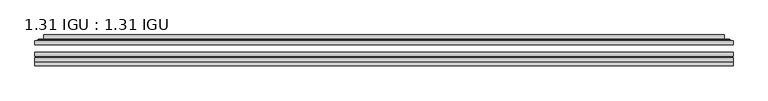
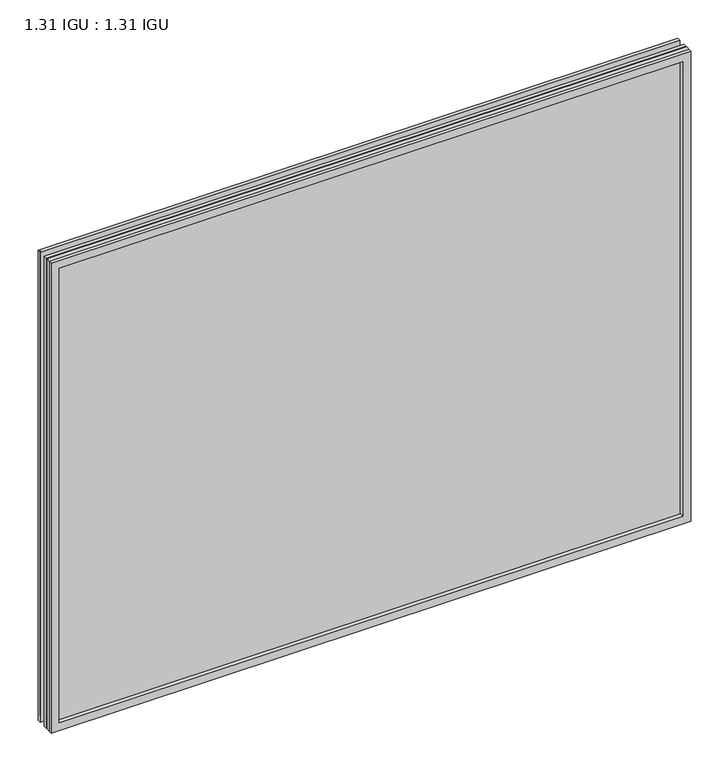
"""IFC4 building model written with IfcOpenShell, lengths in millimetres: plate geometry, 1.31 IGU : 1.31 IGU."""

from ifc_helpers import new_model, si_unit, frame, origin, place, context, project, spatial, polyline, ellipse_curve, outline, extrude, faceted_brep, source, transform, mapped, element, save
from ifc_brep_helpers import plane_surface, cylinder_surface, advanced_brep


def plate_1_31_igu_1_31_igu_eb81db0e(model_context):
    return source(origin(), model_context, "Body", "SolidModel", [
        extrude(outline(polyline([(560.401675, -63.59525), (560.401675, -69.94525), (-560.3875, -69.94525), (-560.3875, -63.59525), (560.401675, -63.59525)])), frame((0.0, 0.0, -14.2875), z_axis=(0.0, 0.0, 1.0), x_axis=(1.0, 0.0, 0.0)), (0.0, 0.0, 1.0), 869.9537979),
        extrude(outline(polyline([(-560.3875, -78.58125), (-560.3875, -72.230745), (560.401675, -72.230745), (560.401675, -78.58125), (-560.3875, -78.58125)])), frame((0.0, 0.0, -14.2875), z_axis=(0.0, 0.0, 1.0), x_axis=(1.0, 0.0, 0.0)), (0.0, 0.0, 1.0), 869.9537979),
        extrude(outline(polyline([(560.401675, -45.25645), (560.401675, -51.60645), (-560.3875, -51.60645), (-560.3875, -45.25645), (560.401675, -45.25645)])), frame((0.0, 0.0, -14.2875), z_axis=(0.0, 0.0, 1.0), x_axis=(1.0, 0.0, 0.0)), (0.0, 0.0, 1.0), 869.9537979),
        faceted_brep([(-560.4002, -84.93125, 855.6752), (-560.4002, -78.58125, 855.6752), (-560.4002, -78.58125, -14.3002), (-560.4002, -84.93125, -14.3002), (560.4002, -78.58125, -14.3002), (560.4002, -84.93125, -14.3002), (560.4002, -78.58125, 855.6752), (560.4002, -84.93125, 855.6752), (-545.2022559, -78.58125, 0.8977441), (545.2022559, -78.58125, 0.8977441), (545.2022559, -78.58125, 840.4772559), (-545.2022559, -78.58125, 840.4772559), (-546.0946902, -84.93125, 841.3696902), (546.0946902, -84.93125, 841.3696902), (546.0946902, -84.93125, 0.0053098), (-546.0946902, -84.93125, 0.0053098)], [[[0, 1, 2, 3]], [[3, 2, 4, 5]], [[5, 4, 6, 7]], [[1, 6, 4, 2], [8, 9, 10, 11]], [[7, 6, 1, 0]], [[3, 5, 7, 0], [12, 13, 14, 15]], [[11, 12, 15, 8]], [[8, 15, 14, 9]], [[9, 14, 13, 10]], [[10, 13, 12, 11]]]),
        advanced_brep(
        [(-553.146219, -45.25645, 848.4212191), (-555.5004244, -43.2667833, 850.7754244), (-555.5004244, -43.2667833, -9.4004244), (-553.146219, -45.25645, -7.046219), (-544.0718939, -41.416413, 839.3468939), (-539.1370621, -45.25645, 834.4120621), (-539.1370621, -45.25645, 6.9629379), (-544.0718939, -41.416413, 2.0281061), (-545.1039217, -36.0191819, 840.3789217), (-545.1039217, -36.0191819, 0.9960783), (-546.0945784, -35.6202069, 841.3695784), (-546.0945784, -35.6202069, 0.0054216), (-546.0945784, -42.08145, 841.3695784), (-546.0945784, -42.08145, 0.0054216), (-554.4986349, -42.08145, 849.7736349), (-554.4986349, -42.08145, -8.3986349), (555.5004244, -43.2667833, -9.4004244), (553.146219, -45.25645, -7.046219), (539.1370621, -45.25645, 6.9629379), (544.0718939, -41.416413, 2.0281061), (545.1039217, -36.0191819, 0.9960783), (546.0945784, -35.6202069, 0.0054216), (546.0945784, -42.08145, 0.0054216), (554.4986349, -42.08145, -8.3986349), (555.5004244, -43.2667833, 850.7754244), (553.146219, -45.25645, 848.4212191), (539.1370621, -45.25645, 834.4120621), (544.0718939, -41.416413, 839.3468939), (545.1039217, -36.0191819, 840.3789217), (546.0945784, -35.6202069, 841.3695784), (546.0945784, -42.08145, 841.3695784), (554.4986349, -42.08145, 849.7736349)],
        [
            (0, 1, ellipse_curve(frame((-553.146219, -42.86885, 848.4212191), z_axis=(-0.7071067811865475, 0.0, -0.7071067811865475), x_axis=(-0.7071067811865474, 0.0, 0.7071067811865476)), 3.3765763, 2.3876)),
            (1, 2),
            (2, 3, ellipse_curve(frame((-553.146219, -42.86885, -7.046219), z_axis=(-0.7071067811865475, 0.0, 0.7071067811865475), x_axis=(0.7071067811865474, 0.0, 0.7071067811865476)), 3.3765763, 2.3876)),
            (3, 0),
            (4, 5),
            (5, 6),
            (6, 7),
            (7, 4),
            (8, 4),
            (7, 9),
            (9, 8),
            (10, 8, ellipse_curve(frame((-545.7276219, -36.1384423, 841.0026219), z_axis=(-0.7071067811865475, 0.0, -0.7071067811865475), x_axis=(-0.7071067811865474, 0.0, 0.7071067811865476)), 0.8980256, 0.635)),
            (9, 11, ellipse_curve(frame((-545.7276219, -36.1384423, 0.3723781), z_axis=(-0.7071067811865475, 0.0, 0.7071067811865475), x_axis=(0.7071067811865474, 0.0, 0.7071067811865476)), 0.8980256, 0.635)),
            (11, 10),
            (12, 10),
            (11, 13),
            (13, 12),
            (1, 14, ellipse_curve(frame((-554.4986349, -43.09745, 849.7736349), z_axis=(-0.7071067811865475, 0.0, -0.7071067811865475), x_axis=(-0.7071067811865474, 0.0, 0.7071067811865476)), 1.436841, 1.016)),
            (14, 15),
            (15, 2, ellipse_curve(frame((-554.4986349, -43.09745, -8.3986349), z_axis=(-0.7071067811865475, 0.0, 0.7071067811865475), x_axis=(0.7071067811865474, 0.0, 0.7071067811865476)), 1.436841, 1.016)),
            (2, 16),
            (16, 17, ellipse_curve(frame((553.146219, -42.86885, -7.046219), z_axis=(-0.7071067811865475, 0.0, -0.7071067811865475), x_axis=(-0.7071067811865476, 0.0, 0.7071067811865474)), 3.3765763, 2.3876)),
            (17, 3),
            (6, 18),
            (18, 19),
            (19, 7),
            (19, 20),
            (20, 9),
            (20, 21, ellipse_curve(frame((545.7276219, -36.1384423, 0.3723781), z_axis=(-0.7071067811865475, 0.0, -0.7071067811865475), x_axis=(-0.7071067811865476, 0.0, 0.7071067811865474)), 0.8980256, 0.635)),
            (21, 11),
            (21, 22),
            (22, 13),
            (15, 23),
            (23, 16, ellipse_curve(frame((554.4986349, -43.09745, -8.3986349), z_axis=(-0.7071067811865475, 0.0, -0.7071067811865475), x_axis=(-0.7071067811865476, 0.0, 0.7071067811865474)), 1.436841, 1.016)),
            (16, 24),
            (24, 25, ellipse_curve(frame((553.146219, -42.86885, 848.4212191), z_axis=(0.7071067811865475, 0.0, -0.7071067811865475), x_axis=(-0.7071067811865474, 0.0, -0.7071067811865476)), 3.3765763, 2.3876)),
            (25, 17),
            (18, 26),
            (26, 27),
            (27, 19),
            (27, 28),
            (28, 20),
            (28, 29, ellipse_curve(frame((545.7276219, -36.1384423, 841.0026219), z_axis=(0.7071067811865475, 0.0, -0.7071067811865475), x_axis=(-0.7071067811865474, 0.0, -0.7071067811865476)), 0.8980256, 0.635)),
            (29, 21),
            (29, 30),
            (30, 22),
            (23, 31),
            (31, 24, ellipse_curve(frame((554.4986349, -43.09745, 849.7736349), z_axis=(0.7071067811865475, 0.0, -0.7071067811865475), x_axis=(-0.7071067811865474, 0.0, -0.7071067811865476)), 1.436841, 1.016)),
            (24, 1),
            (0, 25),
            (5, 26),
            (4, 27),
            (8, 28),
            (10, 29),
            (12, 30),
            (14, 31),
        ],
        [
            cylinder_surface(frame((-553.146219, -42.86885, 873.125), z_axis=(0.0, 0.0, 1.0), x_axis=(-1.0, 0.0, 0.0)), 2.3876),
            plane_surface(frame((-539.1370621, -45.25645, 834.4120621), z_axis=(0.6141233906514794, 0.7892100234124821, 0.0), x_axis=(0.0, 0.0, -1.0))),
            plane_surface(frame((-544.0718939, -41.416413, 839.3468939), z_axis=(0.9822050625507729, 0.18781164793386076, 0.0), x_axis=(0.0, 0.0, -1.0))),
            cylinder_surface(frame((-545.7276219, -36.1384423, 873.125), z_axis=(0.0, 0.0, 1.0), x_axis=(-1.0, 0.0, 0.0)), 0.635),
            plane_surface(frame((-546.0945784, -35.6202069, 841.3695784), z_axis=(-1.0, 0.0, 0.0), x_axis=(0.0, 0.0, -1.0))),
            cylinder_surface(frame((-554.4986349, -43.09745, 873.125), z_axis=(0.0, 0.0, 1.0), x_axis=(-1.0, 0.0, 0.0)), 1.016),
            cylinder_surface(frame((-577.85, -42.86885, -7.046219), z_axis=(-1.0, 0.0, 0.0), x_axis=(0.0, 0.0, -1.0)), 2.3876),
            plane_surface(frame((-539.1370621, -45.25645, 6.9629379), z_axis=(0.0, 0.7892100234124841, 0.6141233906514768), x_axis=(1.0, 0.0, 0.0))),
            plane_surface(frame((-544.0718939, -41.416413, 2.0281061), z_axis=(0.0, 0.18781164793386393, 0.9822050625507723), x_axis=(1.0, 0.0, 0.0))),
            cylinder_surface(frame((-577.85, -36.1384423, 0.3723781), z_axis=(-1.0, 0.0, 0.0), x_axis=(0.0, 0.0, -1.0)), 0.635),
            plane_surface(frame((-546.0945784, -35.6202069, 0.0054216), z_axis=(0.0, 0.0, -1.0), x_axis=(1.0, 0.0, 0.0))),
            cylinder_surface(frame((-577.85, -43.09745, -8.3986349), z_axis=(-1.0, 0.0, 0.0), x_axis=(0.0, 0.0, -1.0)), 1.016),
            cylinder_surface(frame((553.146219, -42.86885, -31.75), z_axis=(0.0, 0.0, -1.0), x_axis=(1.0, 0.0, 0.0)), 2.3876),
            plane_surface(frame((539.1370621, -45.25645, 6.9629379), z_axis=(-0.6141233906514743, 0.7892100234124861, 0.0), x_axis=(0.0, 0.0, 1.0))),
            plane_surface(frame((544.0718939, -41.416413, 2.0281061), z_axis=(-0.9822050625507718, 0.1878116479338671, 0.0), x_axis=(0.0, 0.0, 1.0))),
            cylinder_surface(frame((545.7276219, -36.1384423, -31.75), z_axis=(0.0, 0.0, -1.0), x_axis=(1.0, 0.0, 0.0)), 0.635),
            plane_surface(frame((546.0945784, -35.6202069, 0.0054216), z_axis=(1.0, 0.0, 0.0), x_axis=(0.0, 0.0, 1.0))),
            cylinder_surface(frame((554.4986349, -43.09745, -31.75), z_axis=(0.0, 0.0, -1.0), x_axis=(1.0, 0.0, 0.0)), 1.016),
            cylinder_surface(frame((577.85, -42.86885, 848.4212191), z_axis=(1.0, 0.0, 0.0), x_axis=(0.0, 0.0, 1.0)), 2.3876),
            plane_surface(frame((553.146219, -45.25645, 848.4212191), z_axis=(0.0, -1.0, 0.0), x_axis=(-1.0, 0.0, 0.0))),
            plane_surface(frame((539.1370621, -45.25645, 834.4120621), z_axis=(0.0, 0.7892100234124841, -0.6141233906514768), x_axis=(-1.0, 0.0, 0.0))),
            plane_surface(frame((544.0718939, -41.416413, 839.3468939), z_axis=(0.0, 0.18781164793386393, -0.9822050625507723), x_axis=(-1.0, 0.0, 0.0))),
            cylinder_surface(frame((577.85, -36.1384423, 841.0026219), z_axis=(1.0, 0.0, 0.0), x_axis=(0.0, 0.0, 1.0)), 0.635),
            plane_surface(frame((546.0945784, -35.6202069, 841.3695784), z_axis=(0.0, 0.0, 1.0), x_axis=(-1.0, 0.0, 0.0))),
            plane_surface(frame((546.0945784, -42.08145, 841.3695784), z_axis=(0.0, 1.0, 0.0), x_axis=(-1.0, 0.0, 0.0))),
            cylinder_surface(frame((577.85, -43.09745, 849.7736349), z_axis=(1.0, 0.0, 0.0), x_axis=(0.0, 0.0, 1.0)), 1.016),
        ],
        [
            (0, [[1, 2, 3, 4]]),
            (1, [[5, 6, 7, 8]]),
            (2, [[9, -8, 10, 11]]),
            (3, [[12, -11, 13, 14]]),
            (4, [[15, -14, 16, 17]]),
            (5, [[18, 19, 20, -2]]),
            (6, [[-3, 21, 22, 23]]),
            (7, [[-7, 24, 25, 26]]),
            (8, [[-10, -26, 27, 28]]),
            (9, [[-13, -28, 29, 30]]),
            (10, [[-16, -30, 31, 32]]),
            (11, [[-20, 33, 34, -21]]),
            (12, [[-22, 35, 36, 37]]),
            (13, [[-25, 38, 39, 40]]),
            (14, [[-27, -40, 41, 42]]),
            (15, [[-29, -42, 43, 44]]),
            (16, [[-31, -44, 45, 46]]),
            (17, [[-34, 47, 48, -35]]),
            (18, [[-36, 49, -1, 50]]),
            (19, [[-23, -37, -50, -4], [51, -38, -24, -6]]),
            (20, [[-39, -51, -5, 52]]),
            (21, [[-41, -52, -9, 53]]),
            (22, [[-43, -53, -12, 54]]),
            (23, [[-45, -54, -15, 55]]),
            (24, [[56, -47, -33, -19], [-32, -46, -55, -17]]),
            (25, [[-48, -56, -18, -49]]),
        ],
    ),
    ])


if __name__ == "__main__":
    model = new_model("IFC4")
    model_context = context("Model", 3, world=origin())
    ifc_project = project(units=[si_unit("LENGTHUNIT", "METRE", prefix="MILLI")], contexts=[model_context])
    site = spatial("IfcSite", under=ifc_project)
    building = spatial("IfcBuilding", under=site)
    placement = place(None, origin())
    plate_1_31_igu_1_31_igu_shape = plate_1_31_igu_1_31_igu_eb81db0e(model_context)
    element("IfcPlate", 1, ObjectType="1.31 IGU : 1.31 IGU", at=placement, inside=building, context=model_context, shape_type="MappedRepresentation", body=[
        mapped(plate_1_31_igu_1_31_igu_shape, transform((0.0, 0.0, 0.0), x_axis=(1.0, 0.0, 0.0), y_axis=(0.0, 1.0, 0.0), z_axis=(0.0, 0.0, 1.0))),
    ])
    save(model, "model.ifc")
